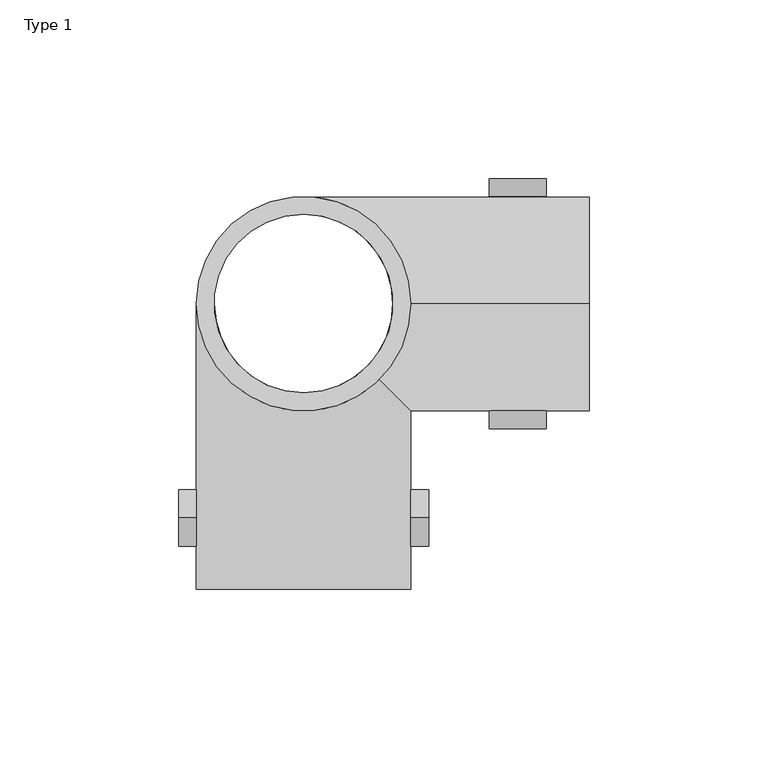
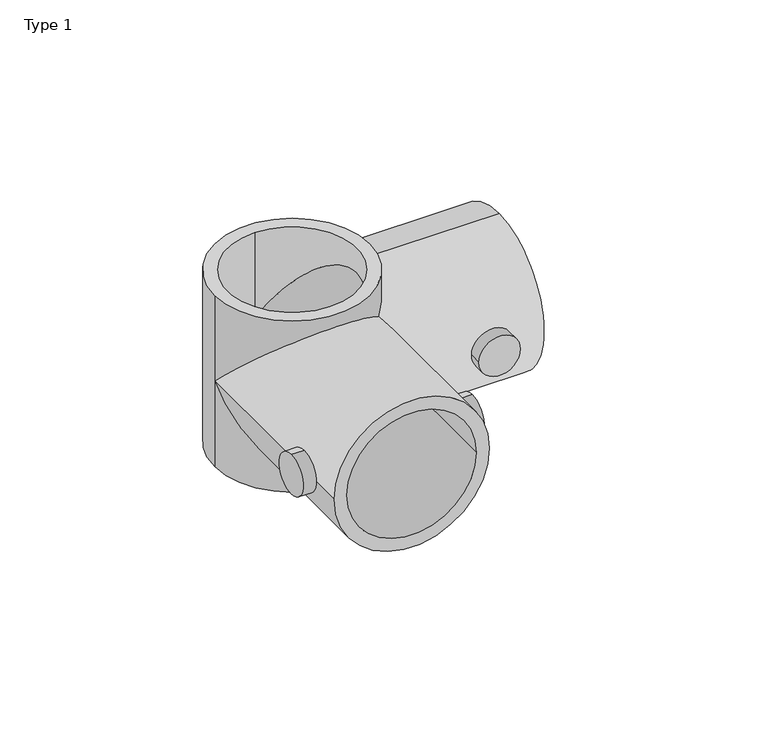
"""IFC4 building model written with IfcOpenShell, lengths in millimetres: proxy geometry, Type 1."""

from ifc_helpers import new_model, si_unit, point, frame, frame_2d, origin, origin_with_axes, place, context, project, spatial, polyline, circle_curve, ellipse_curve, trimmed, segment, composite_curve, outline, extrude, source, transform, mapped, element, save
from ifc_brep_helpers import plane_surface, cylinder_surface, revolved_surface, advanced_brep


def type_1_3e87d9cf(model_context):
    return source(origin(), model_context, "Body", "SolidModel", [
        extrude(outline(composite_curve([segment(trimmed(circle_curve(frame_2d((-60.0, 35.0)), 8.0), [point((-60.0, 43.0))], [point((-60.0, 27.0))], False, "CARTESIAN"), True, "CONTINUOUS"), segment(trimmed(circle_curve(frame_2d((-60.0, 35.0)), 8.0), [point((-60.0, 27.0))], [point((-60.0, 43.0))], False, "CARTESIAN"), True, "CONTINUOUS")], self_intersect=False)), frame((30.0, 0.0, 0.0), z_axis=(1.0, 0.0, 0.0), x_axis=(0.0, 1.0, 0.0)), (0.0, 0.0, 1.0), 5.0),
        extrude(outline(composite_curve([segment(trimmed(circle_curve(frame_2d((-60.0, 35.0)), 8.0), [point((-60.0, 43.0))], [point((-60.0, 27.0))], False, "CARTESIAN"), True, "CONTINUOUS"), segment(trimmed(circle_curve(frame_2d((-60.0, 35.0)), 8.0), [point((-60.0, 27.0))], [point((-60.0, 43.0))], False, "CARTESIAN"), True, "CONTINUOUS")], self_intersect=False)), frame((-35.0, 0.0, 0.0), z_axis=(1.0, 0.0, 0.0), x_axis=(0.0, 1.0, 0.0)), (0.0, 0.0, 1.0), 5.0),
        extrude(outline(composite_curve([segment(trimmed(circle_curve(frame_2d((35.0, 60.0)), 8.0), [point((35.0, 52.0))], [point((35.0, 68.0))], False, "CARTESIAN"), True, "CONTINUOUS"), segment(trimmed(circle_curve(frame_2d((35.0, 60.0)), 8.0), [point((35.0, 68.0))], [point((35.0, 52.0))], False, "CARTESIAN"), True, "CONTINUOUS")], self_intersect=False)), frame((0.0, -35.0, 0.0), z_axis=(0.0, 1.0, 0.0), x_axis=(0.0, 0.0, 1.0)), (0.0, 0.0, 1.0), 5.0),
        extrude(outline(composite_curve([segment(trimmed(circle_curve(frame_2d((35.0, 60.0)), 8.0), [point((35.0, 52.0))], [point((35.0, 68.0))], False, "CARTESIAN"), True, "CONTINUOUS"), segment(trimmed(circle_curve(frame_2d((35.0, 60.0)), 8.0), [point((35.0, 68.0))], [point((35.0, 52.0))], False, "CARTESIAN"), True, "CONTINUOUS")], self_intersect=False)), frame((0.0, 30.0, 0.0), z_axis=(0.0, 1.0, 0.0), x_axis=(0.0, 0.0, 1.0)), (0.0, 0.0, 1.0), 5.0),
        advanced_brep(
        [(-30.0, 0.0, 70.0), (30.0, 0.0, 70.0), (0.0, 25.0, 70.0), (0.0, -25.0, 70.0), (-30.0, 0.0, 0.0), (30.0, 0.0, 0.0), (0.0, -25.0, 0.0), (0.0, 25.0, 0.0), (30.0, 0.0, 65.0), (0.0, 30.0, 35.0), (30.0, 0.0, 5.0), (-30.0, 0.0, 35.0), (21.2132034, -21.2132034, 56.2132034), (21.2132034, -21.2132034, 13.7867966), (80.0, 0.0, 5.0), (80.0, 0.0, 65.0), (80.0, 0.0, 60.0), (80.0, 0.0, 10.0), (30.0, -30.0, 35.0), (30.0, -80.0, 35.0), (-30.0, -80.0, 35.0), (-25.0, -80.0, 35.0), (25.0, -80.0, 35.0), (25.0, 0.0, 10.0), (17.6776695, -17.6776695, 17.3223305), (25.0, -25.0, 35.0), (17.6776695, -17.6776695, 52.6776695), (25.0, 0.0, 60.0), (0.0, 25.0, 35.0), (0.0, -25.0, 10.0), (-25.0, 0.0, 35.0), (0.0, -25.0, 60.0)],
        [
            (0, 1, circle_curve(frame((0.0, 0.0, 70.0), z_axis=(0.0, 0.0, 1.0), x_axis=(1.0, 0.0, 0.0)), 30.0)),
            (1, 0, circle_curve(frame((0.0, 0.0, 70.0), z_axis=(0.0, 0.0, 1.0), x_axis=(1.0, 0.0, 0.0)), 30.0)),
            (2, 3, circle_curve(frame((0.0, 0.0, 70.0), z_axis=(0.0, 0.0, -1.0), x_axis=(0.0, -1.0, 0.0)), 25.0)),
            (3, 2, circle_curve(frame((0.0, 0.0, 70.0), z_axis=(0.0, 0.0, -1.0), x_axis=(0.0, -1.0, 0.0)), 25.0)),
            (4, 5, circle_curve(frame((0.0, 0.0, 0.0), z_axis=(0.0, 0.0, -1.0), x_axis=(1.0, 0.0, 0.0)), 30.0)),
            (5, 4, circle_curve(frame((0.0, 0.0, 0.0), z_axis=(0.0, 0.0, -1.0), x_axis=(1.0, 0.0, 0.0)), 30.0)),
            (6, 7, circle_curve(frame((0.0, 0.0, 0.0), z_axis=(0.0, 0.0, 1.0), x_axis=(0.0, -1.0, 0.0)), 25.0)),
            (7, 6, circle_curve(frame((0.0, 0.0, 0.0), z_axis=(0.0, 0.0, 1.0), x_axis=(0.0, -1.0, 0.0)), 25.0)),
            (1, 8),
            (8, 9, ellipse_curve(frame((0.0, 0.0, 35.0), z_axis=(-0.707106781186547, 0.0, 0.707106781186548), x_axis=(0.707106781186548, 0.0, 0.7071067811865469)), 42.4264069, 30.0)),
            (9, 10, ellipse_curve(frame((0.0, 0.0, 35.0), z_axis=(-0.707106781186548, 0.0, -0.7071067811865469), x_axis=(-0.7071067811865468, 0.0, 0.7071067811865481)), 42.4264069, 30.0)),
            (10, 5),
            (4, 11),
            (11, 0),
            (11, 12, ellipse_curve(frame((0.0, 0.0, 35.0), z_axis=(0.0, 0.70710678118655, 0.7071067811865451), x_axis=(0.0, -0.7071067811865452, 0.7071067811865499)), 42.4264069, 30.0)),
            (12, 8, ellipse_curve(frame((0.0, 0.0, 35.0), z_axis=(-0.707106781186547, 0.0, 0.707106781186548), x_axis=(0.707106781186548, 0.0, 0.7071067811865469)), 42.4264069, 30.0)),
            (10, 13, ellipse_curve(frame((0.0, 0.0, 35.0), z_axis=(-0.707106781186548, 0.0, -0.7071067811865469), x_axis=(-0.7071067811865468, 0.0, 0.7071067811865481)), 42.4264069, 30.0)),
            (13, 11, ellipse_curve(frame((0.0, 0.0, 35.0), z_axis=(0.0, 0.7071067811865451, -0.7071067811865499), x_axis=(0.0, 0.70710678118655, 0.7071067811865451)), 42.4264069, 30.0)),
            (14, 15, circle_curve(frame((80.0, 0.0, 35.0), z_axis=(1.0, 0.0, 0.0), x_axis=(0.0, 0.0, 1.0)), 30.0)),
            (15, 14, circle_curve(frame((80.0, 0.0, 35.0), z_axis=(1.0, 0.0, 0.0), x_axis=(0.0, 0.0, 1.0)), 30.0)),
            (16, 17, circle_curve(frame((80.0, 0.0, 35.0), z_axis=(-1.0, 0.0, 0.0), x_axis=(0.0, 0.0, -1.0)), 25.0)),
            (17, 16, circle_curve(frame((80.0, 0.0, 35.0), z_axis=(-1.0, 0.0, 0.0), x_axis=(0.0, 0.0, -1.0)), 25.0)),
            (15, 8),
            (12, 18, ellipse_curve(frame((0.0, 0.0, 35.0), z_axis=(0.7071067811865464, 0.7071067811865487, 0.0), x_axis=(0.7071067811865487, -0.7071067811865464, 0.0)), 42.4264069, 30.0)),
            (18, 13, ellipse_curve(frame((0.0, 0.0, 35.0), z_axis=(0.7071067811865464, 0.7071067811865487, 0.0), x_axis=(0.7071067811865487, -0.7071067811865464, 0.0)), 42.4264069, 30.0)),
            (10, 14),
            (19, 20, circle_curve(frame((0.0, -80.0, 35.0), z_axis=(0.0, -1.0, 0.0), x_axis=(-1.0, 0.0, 0.0)), 30.0)),
            (20, 19, circle_curve(frame((0.0, -80.0, 35.0), z_axis=(0.0, -1.0, 0.0), x_axis=(-1.0, 0.0, 0.0)), 30.0)),
            (21, 22, circle_curve(frame((0.0, -80.0, 35.0), z_axis=(0.0, 1.0, 0.0), x_axis=(1.0, 0.0, 0.0)), 25.0)),
            (22, 21, circle_curve(frame((0.0, -80.0, 35.0), z_axis=(0.0, 1.0, 0.0), x_axis=(1.0, 0.0, 0.0)), 25.0)),
            (20, 11),
            (18, 19),
            (17, 23),
            (23, 24, ellipse_curve(frame((0.0, 0.0, 35.0), z_axis=(-0.707106781186548, 0.0, -0.7071067811865469), x_axis=(-0.707106781186547, 0.0, 0.707106781186548)), 35.3553391, 25.0)),
            (24, 25, ellipse_curve(frame((0.0, 0.0, 35.0), z_axis=(-0.7071067811865464, -0.7071067811865487, 0.0), x_axis=(-0.7071067811865487, 0.7071067811865464, 0.0)), 35.3553391, 25.0)),
            (25, 26, ellipse_curve(frame((0.0, 0.0, 35.0), z_axis=(-0.7071067811865464, -0.7071067811865487, 0.0), x_axis=(-0.7071067811865487, 0.7071067811865464, 0.0)), 35.3553391, 25.0)),
            (26, 27, ellipse_curve(frame((0.0, 0.0, 35.0), z_axis=(-0.707106781186547, 0.0, 0.707106781186548), x_axis=(-0.707106781186548, 0.0, -0.7071067811865469)), 35.3553391, 25.0)),
            (27, 16),
            (27, 28, ellipse_curve(frame((0.0, 0.0, 35.0), z_axis=(-0.707106781186547, 0.0, 0.707106781186548), x_axis=(-0.707106781186548, 0.0, -0.7071067811865469)), 35.3553391, 25.0)),
            (28, 23, ellipse_curve(frame((0.0, 0.0, 35.0), z_axis=(-0.707106781186548, 0.0, -0.7071067811865469), x_axis=(-0.707106781186547, 0.0, 0.707106781186548)), 35.3553391, 25.0)),
            (22, 25),
            (24, 29, ellipse_curve(frame((0.0, 0.0, 35.0), z_axis=(0.0, 0.7071067811865451, -0.7071067811865499), x_axis=(0.0, 0.7071067811865498, 0.7071067811865451)), 35.3553391, 25.0)),
            (29, 30, ellipse_curve(frame((0.0, 0.0, 35.0), z_axis=(0.0, 0.7071067811865451, -0.7071067811865499), x_axis=(0.0, 0.7071067811865498, 0.7071067811865451)), 35.3553391, 25.0)),
            (30, 21),
            (30, 31, ellipse_curve(frame((0.0, 0.0, 35.0), z_axis=(0.0, 0.70710678118655, 0.7071067811865451), x_axis=(0.0, 0.7071067811865449, -0.70710678118655)), 35.3553391, 25.0)),
            (31, 26, ellipse_curve(frame((0.0, 0.0, 35.0), z_axis=(0.0, 0.70710678118655, 0.7071067811865451), x_axis=(0.0, 0.7071067811865449, -0.70710678118655)), 35.3553391, 25.0)),
            (3, 31),
            (29, 6),
            (7, 28),
            (28, 2),
        ],
        [
            plane_surface(frame((30.0, 0.0, 70.0), z_axis=(0.0, 0.0, 1.0), x_axis=(0.0, -1.0, 0.0))),
            plane_surface(frame((30.0, 0.0, 0.0), z_axis=(0.0, 0.0, -1.0), x_axis=(0.0, 1.0, 0.0))),
            cylinder_surface(origin_with_axes(), 30.0),
            plane_surface(frame((80.0, 0.0, 65.0), z_axis=(1.0, 0.0, 0.0), x_axis=(0.0, 1.0, 0.0))),
            cylinder_surface(frame((0.0, 0.0, 35.0), z_axis=(1.0, 0.0, 0.0), x_axis=(0.0, 0.0, 1.0)), 30.0),
            plane_surface(frame((-30.0, -80.0, 35.0), z_axis=(0.0, -1.0, 0.0), x_axis=(0.0, 0.0, 1.0))),
            cylinder_surface(frame((0.0, 0.0, 35.0), z_axis=(0.0, -1.0, 0.0), x_axis=(-1.0, 0.0, 0.0)), 30.0),
            revolved_surface(polyline([(-25.000000028759928, 0.0, 10.0), (80.0, 0.0, 10.0)]), (80.0, 0.0, 35.0), (-1.0, 0.0, 0.0)),
            revolved_surface(polyline([(-25.0000000287599, 0.0, 10.0), (80.0, 0.0, 10.0)]), (80.0, 0.0, 35.0), (-1.0, 0.0, 0.0)),
            revolved_surface(polyline([(25.0, 25.00000002875997, 35.0), (25.0, -80.0, 35.0)]), (0.0, -80.0, 35.0), (0.0, 1.0, 0.0)),
            revolved_surface(polyline([(25.0, 25.000000028759843, 35.0), (25.0, -80.0, 35.0)]), (0.0, -80.0, 35.0), (0.0, 1.0, 0.0)),
            revolved_surface(polyline([(0.0, -25.0, 0.0), (0.0, -25.0, 70.0)]), (0.0, 0.0, 70.0), (0.0, 0.0, -1.0)),
            revolved_surface(polyline([(0.0, -25.0, 0.0), (0.0, -25.0, 60.00000002875991)]), (0.0, 0.0, 70.0), (0.0, 0.0, -1.0)),
            revolved_surface(polyline([(0.0, -25.0, 9.999999971240022), (0.0, -25.0, 70.0)]), (0.0, 0.0, 70.0), (0.0, 0.0, -1.0)),
        ],
        [
            (0, [[1, 2], [3, 4]]),
            (1, [[5, 6], [7, 8]]),
            (2, [[9, 10, 11, 12, -5, 13, 14, -2]]),
            (2, [[-14, 15, 16, -9, -1]]),
            (2, [[-12, 17, 18, -13, -6]]),
            (3, [[19, 20], [21, 22]]),
            (4, [[23, -16, 24, 25, -17, 26, -20]]),
            (4, [[-26, -11, -10, -23, -19]]),
            (5, [[27, 28], [29, 30]]),
            (6, [[31, -18, -25, 32, -28]]),
            (6, [[-32, -24, -15, -31, -27]]),
            (7, [[33, 34, 35, 36, 37, 38, -22]]),
            (8, [[-38, 39, 40, -33, -21]]),
            (9, [[-30, 41, -35, 42, 43, 44]]),
            (10, [[45, 46, -36, -41, -29, -44]]),
            (11, [[-4, 47, -45, -43, 48, -8, 49, 50]]),
            (12, [[-7, -48, -42, -34, -40, -49]]),
            (13, [[-39, -37, -46, -47, -3, -50]]),
        ],
    ),
    ])


if __name__ == "__main__":
    model = new_model("IFC4")
    model_context = context("Model", 3, world=origin())
    ifc_project = project(units=[si_unit("LENGTHUNIT", "METRE", prefix="MILLI")], contexts=[model_context])
    site = spatial("IfcSite", under=ifc_project)
    building = spatial("IfcBuilding", under=site)
    placement = place(None, origin())
    type_1_shape = type_1_3e87d9cf(model_context)
    element("IfcBuildingElementProxy", 1, Name="Type 1", ObjectType="Type 1", at=placement, inside=building, context=model_context, shape_type="MappedRepresentation", body=[
        mapped(type_1_shape, transform((0.0, 0.0, 0.0), x_axis=(1.0, 0.0, 0.0), y_axis=(0.0, 1.0, 0.0), z_axis=(0.0, 0.0, 1.0))),
    ])
    save(model, "model.ifc")
